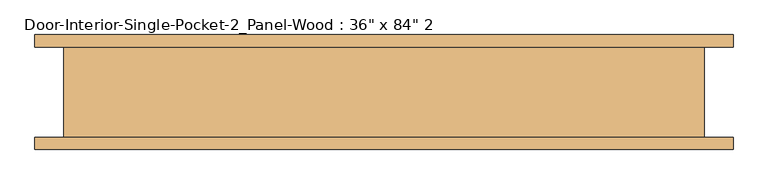
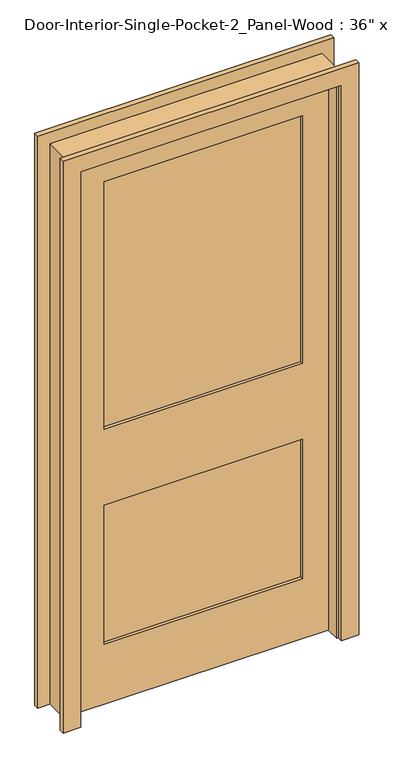
"""IFC4 building model written with IfcOpenShell, lengths in millimetres: door geometry."""

from ifc_helpers import new_model, si_unit, frame, origin, place, context, project, spatial, polyline, outline, extrude, faceted_brep, source, transform, mapped, element, save


def door_949c8cd2(model_context):
    return source(origin(), model_context, "Body", "SolidModel", [
        extrude(outline(polyline([(0.0, 527.05), (2203.45, 527.05), (2203.45, -552.45), (0.0, -552.45), (0.0, -488.95), (2139.95, -488.95), (2139.95, 463.55), (0.0, 463.55), (0.0, 527.05)])), frame((0.0, 69.85, 0.0), z_axis=(0.0, 1.0, 0.0), x_axis=(0.0, 0.0, 1.0)), (0.0, 0.0, 1.0), 19.05),
        extrude(outline(polyline([(0.0, 527.05), (2203.45, 527.05), (2203.45, -552.45), (0.0, -552.45), (0.0, -488.95), (2139.95, -488.95), (2139.95, 463.55), (0.0, 463.55), (0.0, 527.05)])), frame((0.0, -88.9, 0.0), z_axis=(0.0, 1.0, 0.0), x_axis=(0.0, 0.0, 1.0)), (0.0, 0.0, 1.0), 19.05),
        faceted_brep([(482.6, 69.85, 0.0), (482.6, 69.85, 2159.0), (482.6, -69.85, 2159.0), (482.6, -69.85, 0.0), (482.6, -17.4625, 0.0), (482.6, -17.4625, 2133.6), (482.6, 17.4625, 2133.6), (482.6, 17.4625, 0.0), (457.2, 69.85, 0.0), (457.2, 69.85, 2133.6), (-482.6, 69.85, 2133.6), (-482.6, 69.85, 0.0), (-508.0, 69.85, 0.0), (-508.0, 69.85, 2159.0), (457.2, 17.4625, 2133.6), (457.2, -17.4625, 2133.6), (457.2, -69.85, 2133.6), (-482.6, -69.85, 2133.6), (-508.0, -69.85, 2159.0), (-508.0, -69.85, 0.0), (-482.6, -69.85, 0.0), (457.2, -69.85, 0.0), (457.2, -17.4625, 0.0), (457.2, 17.4625, 0.0)], [[[0, 1, 2, 3, 4, 5, 6, 7]], [[0, 8, 9, 10, 11, 12, 13, 1]], [[10, 9, 14, 6, 5, 15, 16, 17]], [[2, 18, 19, 20, 17, 16, 21, 3]], [[2, 1, 13, 18]], [[11, 20, 19, 12]], [[10, 17, 20, 11]], [[12, 19, 18, 13]], [[3, 21, 22, 4]], [[7, 23, 8, 0]], [[21, 16, 15, 22]], [[22, 15, 5, 4]], [[7, 6, 14, 23]], [[23, 14, 9, 8]]]),
        extrude(outline(polyline([(361.95, 5.8208333), (361.95, -5.8208333), (-361.95, -5.8208333), (-361.95, 5.8208333), (361.95, 5.8208333)])), frame((0.0, 0.0, 1060.45), z_axis=(0.0, 0.0, 1.0), x_axis=(1.0, 0.0, 0.0)), (0.0, 0.0, 1.0), 954.0875),
        extrude(outline(polyline([(361.95, 5.8208333), (361.95, -5.8208333), (-361.95, -5.8208333), (-361.95, 5.8208333), (361.95, 5.8208333)])), frame((0.0, 0.0, 231.775), z_axis=(0.0, 0.0, 1.0), x_axis=(1.0, 0.0, 0.0)), (0.0, 0.0, 1.0), 536.575),
        extrude(outline(polyline([(2133.6, -482.6), (0.0, -482.6), (0.0, 482.6), (2133.6, 482.6), (2133.6, -482.6)]), holes=[polyline([(2014.5375, -361.95), (2014.5375, 361.95), (1060.45, 361.95), (1060.45, -361.95), (2014.5375, -361.95)]), polyline([(768.35, -361.95), (768.35, 361.95), (231.775, 361.95), (231.775, -361.95), (768.35, -361.95)])]), frame((0.0, -17.4625, 0.0), z_axis=(0.0, 1.0, 0.0), x_axis=(0.0, 0.0, 1.0)), (0.0, 0.0, 1.0), 34.925),
    ])


if __name__ == "__main__":
    model = new_model("IFC4")
    model_context = context("Model", 3, world=origin())
    ifc_project = project(units=[si_unit("LENGTHUNIT", "METRE", prefix="MILLI")], contexts=[model_context])
    site = spatial("IfcSite", under=ifc_project)
    building = spatial("IfcBuilding", under=site)
    placement = place(None, origin())
    door_shape = door_949c8cd2(model_context)
    element("IfcDoor", 1, ObjectType="Door-Interior-Single-Pocket-2_Panel-Wood : 36\" x 84\" 2", at=placement, inside=building, context=model_context, shape_type="MappedRepresentation", body=[
        mapped(door_shape, transform((0.0, 0.0, 0.0), x_axis=(1.0, 0.0, 0.0), y_axis=(0.0, 1.0, 0.0), z_axis=(0.0, 0.0, 1.0))),
    ])
    save(model, "model.ifc")
